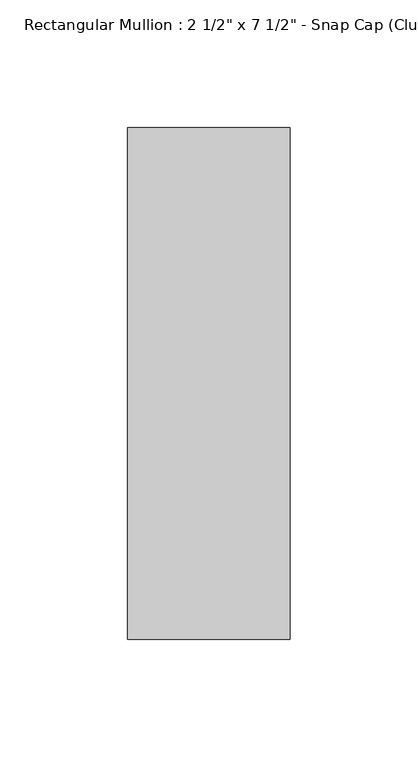
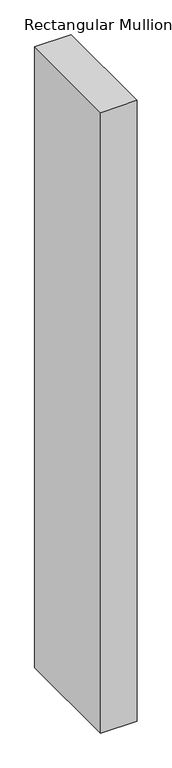
"""IFC4 building model written with IfcOpenShell, lengths in millimetres: member geometry."""

from ifc_helpers import new_model, si_unit, frame, origin, place, context, project, spatial, polyline, outline, extrude, source, transform, mapped, element, save


def member_7f567d4a(model_context):
    return source(origin(), model_context, "Body", "SweptSolid", [
        extrude(outline(polyline([(0.0, 25.8), (0.0, -174.2), (-63.5, -174.2), (-63.5, 25.8), (0.0, 25.8)])), frame((0.0, 0.0, -1147.6), z_axis=(0.0, 0.0, 1.0), x_axis=(1.0, 0.0, 0.0)), (0.0, 0.0, 1.0), 1147.6),
    ])


if __name__ == "__main__":
    model = new_model("IFC4")
    model_context = context("Model", 3, world=origin())
    ifc_project = project(units=[si_unit("LENGTHUNIT", "METRE", prefix="MILLI")], contexts=[model_context])
    site = spatial("IfcSite", under=ifc_project)
    building = spatial("IfcBuilding", under=site)
    placement = place(None, origin())
    member_shape = member_7f567d4a(model_context)
    element("IfcMember", 1, ObjectType="Rectangular Mullion : 2 1/2\" x 7 1/2\" - Snap Cap (Club)", at=placement, inside=building, context=model_context, shape_type="MappedRepresentation", body=[
        mapped(member_shape, transform((0.0, 0.0, 0.0), x_axis=(1.0, 0.0, 0.0), y_axis=(0.0, 1.0, 0.0), z_axis=(0.0, 0.0, 1.0))),
    ])
    save(model, "model.ifc")
